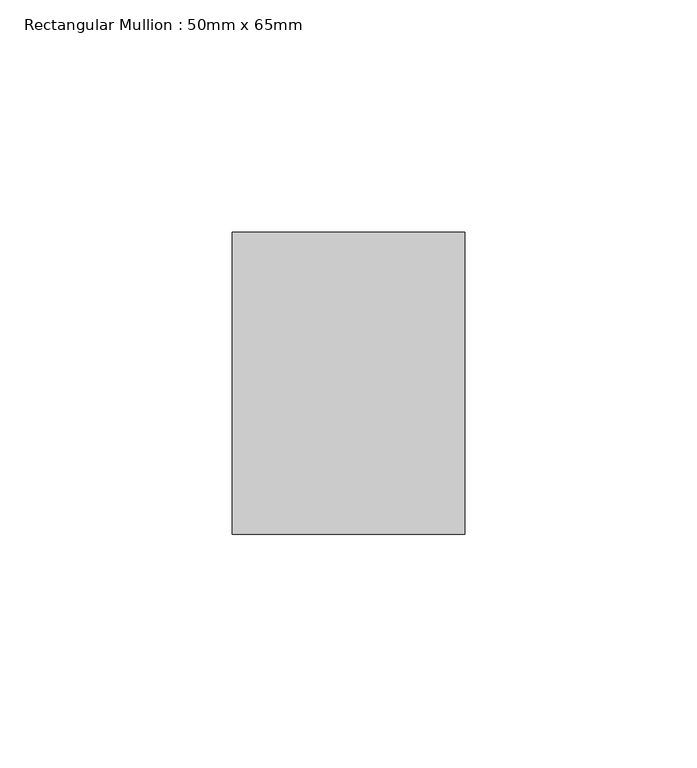
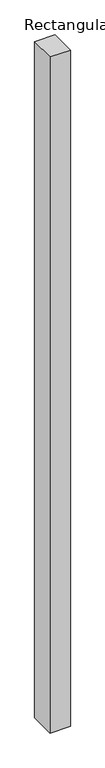
"""IFC4 building model written with IfcOpenShell, lengths in millimetres: member geometry, Rectangular Mullion : 50mm x 65mm."""

from ifc_helpers import new_model, si_unit, frame, origin, place, context, project, spatial, polyline, outline, extrude, source, transform, mapped, element, save


def rectangular_mullion_50mm_x_65mm_25d171cc(model_context):
    return source(origin(), model_context, "Body", "SweptSolid", [
        extrude(outline(polyline([(25.0, 32.5), (25.0, -32.5), (-25.0, -32.5), (-25.0, 32.5), (25.0, 32.5)])), frame((0.0, 0.0, -1754.4951586), z_axis=(0.0, 0.0, 1.0), x_axis=(1.0, 0.0, 0.0)), (0.0, 0.0, 1.0), 1754.4951586),
    ])


if __name__ == "__main__":
    model = new_model("IFC4")
    model_context = context("Model", 3, world=origin())
    ifc_project = project(units=[si_unit("LENGTHUNIT", "METRE", prefix="MILLI")], contexts=[model_context])
    site = spatial("IfcSite", under=ifc_project)
    building = spatial("IfcBuilding", under=site)
    placement = place(None, origin())
    rectangular_mullion_50mm_x_65mm_shape = rectangular_mullion_50mm_x_65mm_25d171cc(model_context)
    element("IfcMember", 1, ObjectType="Rectangular Mullion : 50mm x 65mm", at=placement, inside=building, context=model_context, shape_type="MappedRepresentation", body=[
        mapped(rectangular_mullion_50mm_x_65mm_shape, transform((0.0, 0.0, 0.0), x_axis=(1.0, 0.0, 0.0), y_axis=(0.0, 1.0, 0.0), z_axis=(0.0, 0.0, 1.0))),
    ])
    save(model, "model.ifc")
